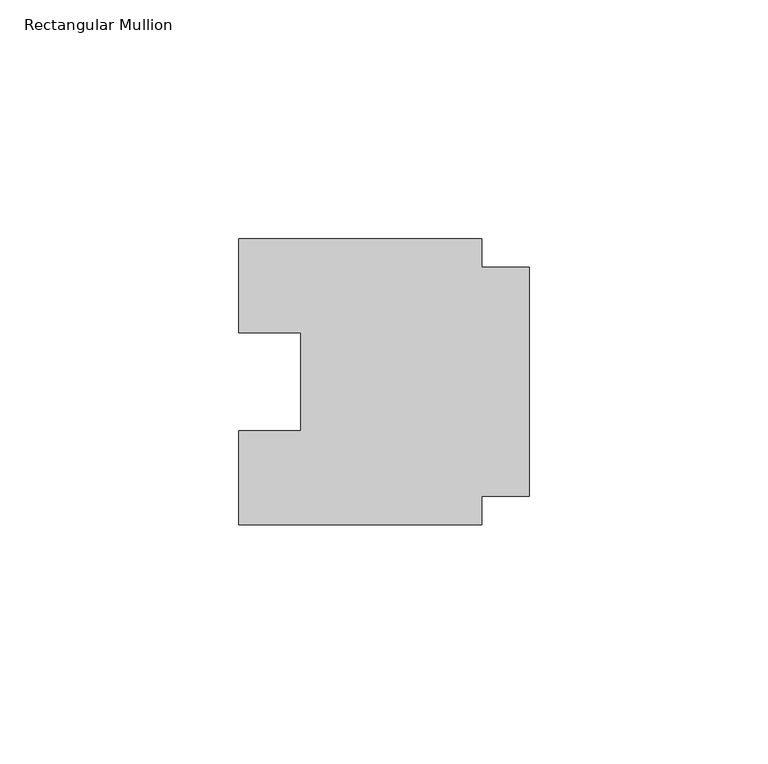
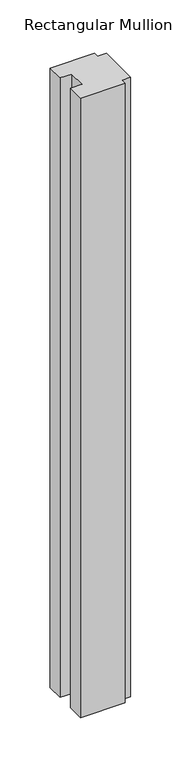
"""IFC4 building model written with IfcOpenShell, lengths in millimetres: member geometry, Rectangular Mullion."""

import ifcopenshell
import ifcopenshell.guid

model = None  # the IFC model being written
_history = None  # IfcOwnerHistory: only IFC2X3 demands one
_inside = {}  # id of a spatial element -> (the spatial element, [elements in it])
_under = {}  # id of a project, library or spatial element -> (it, [spatial elements below it])
_declared = {}  # id of a project -> (the project, [libraries it declares])
_typed = {}  # id of a type object -> (the type object, [elements of that type])
_made_of = {}  # id of a material, layer set ... -> (it, [elements and type objects made of it])


def new_model(schema):
    """Start an empty IFC model of exactly this schema.

    Asked for "IFC4X3", IfcOpenShell would pick the latest addendum, in which some entities
    have other attributes; the version numbers below select the first issue.
    IFC2X3 requires an IfcOwnerHistory on every rooted entity: one is made here for all.
    """
    global model, _history
    if schema == "IFC4X3":
        model = ifcopenshell.file(schema_version=(4, 3, 0, 0))
    else:
        model = ifcopenshell.file(schema=schema)
    _inside.clear()
    _under.clear()
    _declared.clear()
    _typed.clear()
    _made_of.clear()
    _history = None
    if model.schema == "IFC2X3":
        org = make("IfcOrganization", Name="unknown")
        user = make(
            "IfcPersonAndOrganization",
            ThePerson=make("IfcPerson", FamilyName="unknown"),
            TheOrganization=org,
        )
        app = make(
            "IfcApplication",
            ApplicationDeveloper=org,
            Version="unknown",
            ApplicationFullName="unknown",
            ApplicationIdentifier="unknown",
        )
        _history = make(
            "IfcOwnerHistory",
            OwningUser=user,
            OwningApplication=app,
            ChangeAction="ADDED",
            CreationDate=0,
        )
    return model


def make(cls, **values):
    """One entity of the class cls with the attributes given. An attribute that is None is left unset."""
    return model.create_entity(
        cls, **{name: value for name, value in values.items() if value is not None}
    )


def rooted(cls, **values):
    """An entity with a GlobalId (a new one), such as an element, a storey or a relation."""
    return make(cls, GlobalId=ifcopenshell.guid.new(), OwnerHistory=_history, **values)


def si_unit(unit_type, name, prefix=None):
    """IfcSIUnit, for example si_unit("LENGTHUNIT", "METRE", prefix="MILLI")."""
    return make("IfcSIUnit", UnitType=unit_type, Prefix=prefix, Name=name)


def assignment(units):
    """IfcUnitAssignment: the units of a project."""
    return None if units is None else make("IfcUnitAssignment", Units=units)


def point(xyz):
    """IfcCartesianPoint."""
    return None if xyz is None else make("IfcCartesianPoint", Coordinates=xyz)


def direction(xyz):
    """IfcDirection."""
    return None if xyz is None else make("IfcDirection", DirectionRatios=xyz)


def frame(location, z_axis=None, x_axis=None):
    """IfcAxis2Placement3D, a coordinate frame: its origin and axes. An axis left out is left unset."""
    return make(
        "IfcAxis2Placement3D",
        Location=point(location),
        Axis=direction(z_axis),
        RefDirection=direction(x_axis),
    )


def origin():
    """The frame at (0, 0, 0) with its axes left unset."""
    return frame((0.0, 0.0, 0.0))


def place(relative_to, where):
    """IfcLocalPlacement: puts the frame where relative to a parent placement (None: the world)."""
    return make(
        "IfcLocalPlacement", PlacementRelTo=relative_to, RelativePlacement=where
    )


def context(
    kind, dimensions, precision=None, world=None, true_north=None, identifier=None
):
    """IfcGeometricRepresentationContext, for example the 3D "Model" context."""
    return make(
        "IfcGeometricRepresentationContext",
        ContextIdentifier=identifier,
        ContextType=kind,
        CoordinateSpaceDimension=dimensions,
        Precision=precision,
        WorldCoordinateSystem=world,
        TrueNorth=true_north,
    )


def project(units=None, contexts=None):
    """IfcProject with its units and contexts."""
    return rooted(
        "IfcProject",
        Name="project",
        RepresentationContexts=contexts,
        UnitsInContext=assignment(units),
    )


def spatial(cls, under=None, at=None, **own):
    """A site, building, storey or space (cls), placed at a placement, below another one or the project."""
    s = rooted(cls, ObjectPlacement=at, **own)
    if under is not None:
        _under.setdefault(under.id(), (under, []))[1].append(s)
    return s


def polyline(points):
    """IfcPolyline through the points."""
    return make("IfcPolyline", Points=[point(p) for p in points])


def outline(outer, holes=None, kind="AREA"):
    """IfcArbitraryClosedProfileDef: a profile drawn as a closed curve; with holes, ...WithVoids."""
    if holes is None:
        return make("IfcArbitraryClosedProfileDef", ProfileType=kind, OuterCurve=outer)
    return make(
        "IfcArbitraryProfileDefWithVoids",
        ProfileType=kind,
        OuterCurve=outer,
        InnerCurves=holes,
    )


def extrude(swept, where, along, depth):
    """IfcExtrudedAreaSolid: the profile swept, set in the frame where, extruded along a direction by depth."""
    return make(
        "IfcExtrudedAreaSolid",
        SweptArea=swept,
        Position=where,
        ExtrudedDirection=direction(along),
        Depth=depth,
    )


def shape(context_of_items, identifier, shape_type, items):
    """IfcShapeRepresentation: the items that make up one representation, for example the "Body"."""
    return make(
        "IfcShapeRepresentation",
        ContextOfItems=context_of_items,
        RepresentationIdentifier=identifier,
        RepresentationType=shape_type,
        Items=items,
    )


def source(mapping_origin, context_of_items, identifier, shape_type, items):
    """IfcRepresentationMap: a shape defined once, which mapped items show again and again."""
    return make(
        "IfcRepresentationMap",
        MappingOrigin=mapping_origin,
        MappedRepresentation=shape(context_of_items, identifier, shape_type, items),
    )


def transform(
    local_origin,
    x_axis=None,
    y_axis=None,
    z_axis=None,
    scale=None,
    scale2=None,
    scale3=None,
    uniform=True,
):
    """IfcCartesianTransformationOperator3D, or its non-uniform kind. x_axis, y_axis, z_axis: its Axis1, 2, 3."""
    if uniform:
        return make(
            "IfcCartesianTransformationOperator3D",
            Axis1=direction(x_axis),
            Axis2=direction(y_axis),
            LocalOrigin=point(local_origin),
            Scale=scale,
            Axis3=direction(z_axis),
        )
    return make(
        "IfcCartesianTransformationOperator3DnonUniform",
        Axis1=direction(x_axis),
        Axis2=direction(y_axis),
        LocalOrigin=point(local_origin),
        Scale=scale,
        Axis3=direction(z_axis),
        Scale2=scale2,
        Scale3=scale3,
    )


def mapped(mapping_source, mapping_target):
    """IfcMappedItem: shows the shape of a source again, moved by a transform."""
    return make(
        "IfcMappedItem", MappingSource=mapping_source, MappingTarget=mapping_target
    )


def made_of(thing, what):
    """Note that an element or type object is made of a material, layer set ...; save() writes the relation."""
    if what is not None:
        _made_of.setdefault(what.id(), (what, []))[1].append(thing)
    return thing


def element(
    cls,
    number,
    at=None,
    inside=None,
    cuts=None,
    type_object=None,
    material=None,
    context=None,
    identifier="Body",
    shape_type=None,
    held_by="IfcProductDefinitionShape",
    body=None,
    shapes=None,
    **own,
):
    """One element of the class cls, such as IfcWall. Its Tag is "e" and its number.

    at: its placement. inside: the storey or other place that contains it. cuts: it is an
    opening in that element (IfcRelVoidsElement). A single representation is given by context,
    identifier, shape_type and body (its items); several are given by shapes. held_by: the class
    of the entity that holds the representations. save() writes the other relations.
    """
    e = rooted(cls, Tag="e%d" % number, ObjectPlacement=at, **own)
    if body is not None:
        shapes = [shape(context, identifier, shape_type, body)]
    if shapes is not None:
        e.Representation = make(held_by, Representations=shapes)
    if inside is not None:
        _inside.setdefault(inside.id(), (inside, []))[1].append(e)
    if cuts is not None:
        rooted(
            "IfcRelVoidsElement", RelatingBuildingElement=cuts, RelatedOpeningElement=e
        )
    if type_object is not None:
        _typed.setdefault(type_object.id(), (type_object, []))[1].append(e)
    return made_of(e, material)


def aggregate(whole, parts):
    """IfcRelAggregates: a whole, such as a stair, and the parts it consists of."""
    return rooted("IfcRelAggregates", RelatingObject=whole, RelatedObjects=parts)


def save(model, path):
    """Write the relations noted so far, then the file.

    IfcRelAggregates (storeys below a building ...), IfcRelContainedInSpatialStructure (elements
    in a storey), IfcRelDefinesByType, IfcRelAssociatesMaterial and IfcRelDeclares: one each for
    every whole, place, type object, material and project.
    """
    for whole, parts in _under.values():
        aggregate(whole, parts)
    for where, things in _inside.values():
        rooted(
            "IfcRelContainedInSpatialStructure",
            RelatedElements=things,
            RelatingStructure=where,
        )
    for kind, things in _typed.values():
        rooted("IfcRelDefinesByType", RelatedObjects=things, RelatingType=kind)
    for what, things in _made_of.values():
        rooted("IfcRelAssociatesMaterial", RelatedObjects=things, RelatingMaterial=what)
    for by, libraries in _declared.values():
        rooted("IfcRelDeclares", RelatingContext=by, RelatedDefinitions=libraries)
    model.write(path)


def rectangular_mullion_679989c7(model_context):
    return source(origin(), model_context, "Body", "SweptSolid", [
        extrude(outline(polyline([(-10.0, -24.0), (-10.0, -30.0), (-61.0, -30.0), (-61.0, -10.25), (-48.0, -10.25), (-48.0, 10.25), (-61.0, 10.25), (-61.0, 30.0), (-10.0, 30.0), (-10.0, 24.0), (0.0, 24.0), (0.0, -24.0), (-10.0, -24.0)])), frame((0.0, 0.0, -749.9999997), z_axis=(0.0, 0.0, 1.0), x_axis=(1.0, 0.0, 0.0)), (0.0, 0.0, 1.0), 749.9999997),
    ])


if __name__ == "__main__":
    model = new_model("IFC4")
    model_context = context("Model", 3, world=origin())
    ifc_project = project(units=[si_unit("LENGTHUNIT", "METRE", prefix="MILLI")], contexts=[model_context])
    site = spatial("IfcSite", under=ifc_project)
    building = spatial("IfcBuilding", under=site)
    placement = place(None, origin())
    rectangular_mullion_shape = rectangular_mullion_679989c7(model_context)
    element("IfcMember", 1, ObjectType="Rectangular Mullion", at=placement, inside=building, context=model_context, shape_type="MappedRepresentation", body=[
        mapped(rectangular_mullion_shape, transform((0.0, 0.0, 0.0), x_axis=(1.0, 0.0, 0.0), y_axis=(0.0, 1.0, 0.0), z_axis=(0.0, 0.0, 1.0))),
    ])
    save(model, "model.ifc")
